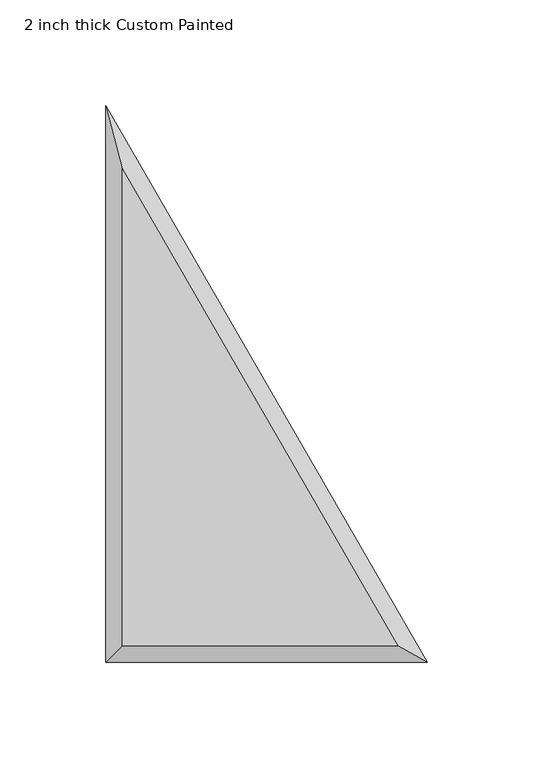
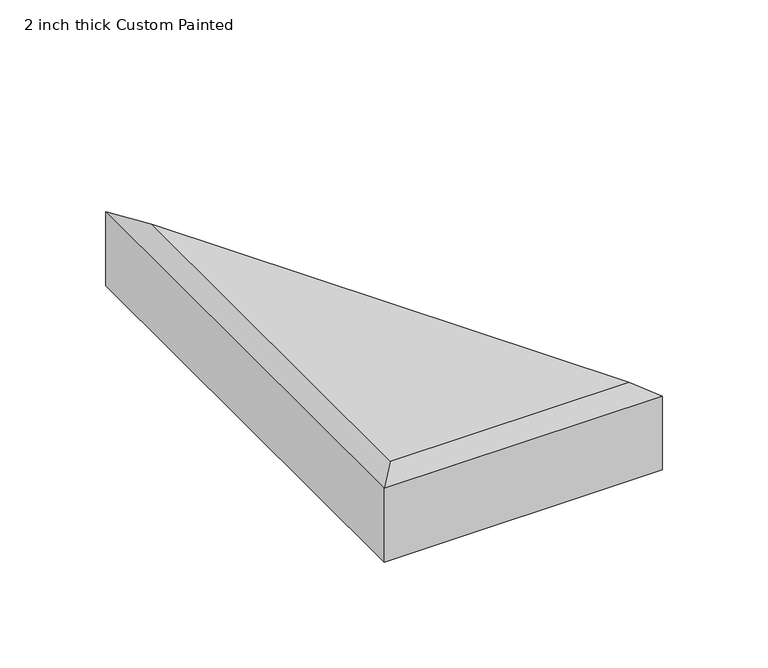
"""IFC4 building model written with IfcOpenShell, lengths in millimetres: proxy geometry, 2 inch thick Custom Painted."""

from ifc_helpers import new_model, si_unit, origin, place, context, project, spatial, faceted_brep, source, transform, mapped, element, save


def proxy_2_inch_thick_custom_painted_02d89e18(model_context):
    return source(origin(), model_context, "Body", "Brep", [
        faceted_brep([(8.001, 234.1044046, 50.8), (8.001, 8.001, 50.8), (138.5418615, 8.001, 50.8), (152.4, 0.0, 0.0), (0.0, 0.0, 0.0), (0.0, 263.9645431, 0.0), (152.4, 0.0, 42.799), (0.0, 0.0, 42.799), (0.0, 263.9645431, 42.799)], [[[0, 1, 2]], [[3, 4, 5]], [[4, 3, 6, 7]], [[3, 5, 8, 6]], [[5, 4, 7, 8]], [[7, 1, 0, 8]], [[1, 7, 6, 2]], [[8, 0, 2, 6]]]),
    ])


if __name__ == "__main__":
    model = new_model("IFC4")
    model_context = context("Model", 3, world=origin())
    ifc_project = project(units=[si_unit("LENGTHUNIT", "METRE", prefix="MILLI")], contexts=[model_context])
    site = spatial("IfcSite", under=ifc_project)
    building = spatial("IfcBuilding", under=site)
    placement = place(None, origin())
    proxy_2_inch_thick_custom_painted_shape = proxy_2_inch_thick_custom_painted_02d89e18(model_context)
    element("IfcBuildingElementProxy", 1, Name="2 inch thick Custom Painted", ObjectType="2 inch thick Custom Painted", at=placement, inside=building, context=model_context, shape_type="MappedRepresentation", body=[
        mapped(proxy_2_inch_thick_custom_painted_shape, transform((0.0, 0.0, 0.0), x_axis=(1.0, 0.0, 0.0), y_axis=(0.0, 1.0, 0.0), z_axis=(0.0, 0.0, 1.0))),
    ])
    save(model, "model.ifc")
